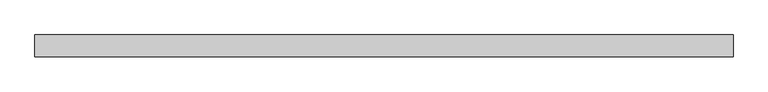
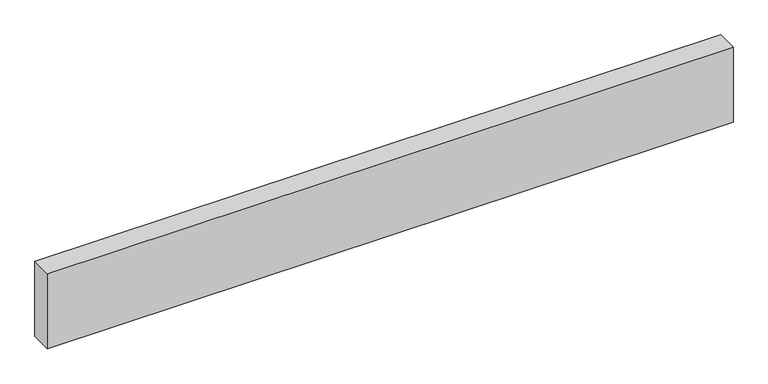
"""IFC4 building model written with IfcOpenShell, lengths in millimetres: beam geometry."""

from ifc_helpers import new_model, si_unit, frame, origin, place, context, project, spatial, polyline, outline, extrude, source, transform, mapped, element, save


def beam_df5665a7(model_context):
    return source(origin(), model_context, "Body", "SweptSolid", [
        extrude(outline(polyline([(605.9289062, -19.05), (-605.9289063, -19.05), (-605.9289063, 19.05), (605.9289062, 19.05), (605.9289062, -19.05)])), frame((0.0, 0.0, -69.85), z_axis=(0.0, 0.0, 1.0), x_axis=(1.0, 0.0, 0.0)), (0.0, 0.0, 1.0), 139.7),
    ])


if __name__ == "__main__":
    model = new_model("IFC4")
    model_context = context("Model", 3, world=origin())
    ifc_project = project(units=[si_unit("LENGTHUNIT", "METRE", prefix="MILLI")], contexts=[model_context])
    site = spatial("IfcSite", under=ifc_project)
    building = spatial("IfcBuilding", under=site)
    placement = place(None, origin())
    beam_shape = beam_df5665a7(model_context)
    element("IfcBeam", 1, at=placement, inside=building, context=model_context, shape_type="MappedRepresentation", body=[
        mapped(beam_shape, transform((0.0, 0.0, 0.0), x_axis=(1.0, 0.0, 0.0), y_axis=(0.0, 1.0, 0.0), z_axis=(0.0, 0.0, 1.0))),
    ])
    save(model, "model.ifc")
